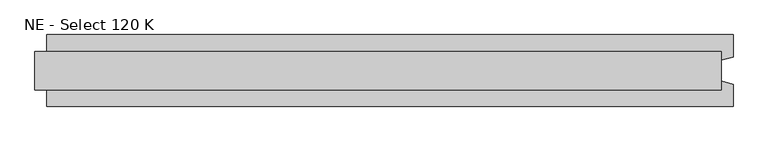
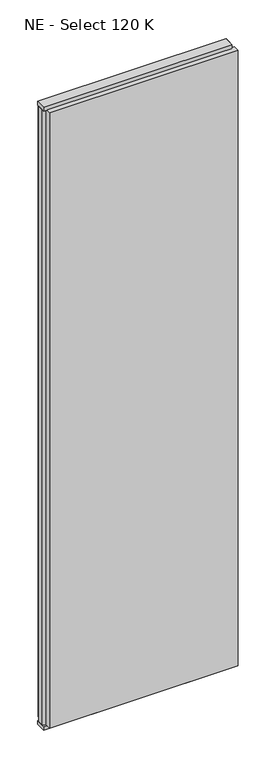
"""IFC4 building model written with IfcOpenShell, lengths in millimetres: plate geometry, NE - Select 120 K."""

from ifc_helpers import new_model, si_unit, frame, origin, origin_with_axes, place, context, project, spatial, polyline, outline, extrude, source, transform, mapped, element, save


def ne_select_120_k_acae949f(model_context):
    return source(origin(), model_context, "Body", "SweptSolid", [
        extrude(outline(polyline([(592.9166667, 60.0), (592.9166667, 22.9993165), (572.9166667, 17.6401049), (572.9166667, -17.6401049), (592.9166667, -22.9993165), (592.9166667, -60.0), (-552.9166667, -60.0), (-552.9166667, -22.9993165), (-572.9166667, -17.6401049), (-572.9166667, 17.6401049), (-552.9166667, 22.9993165), (-552.9166667, 60.0), (592.9166667, 60.0)])), frame((0.0, 0.0, 25.0), z_axis=(0.0, 0.0, 1.0), x_axis=(1.0, 0.0, 0.0)), (0.0, 0.0, 1.0), 3950.0),
        extrude(outline(polyline([(572.9166667, 32.0), (572.9166667, -32.0), (-572.9166667, -32.0), (-572.9166667, 32.0), (572.9166667, 32.0)])), origin_with_axes(), (0.0, 0.0, 1.0), 25.0),
        extrude(outline(polyline([(572.9166667, 32.0), (572.9166667, -32.0), (-572.9166667, -32.0), (-572.9166667, 32.0), (572.9166667, 32.0)])), frame((0.0, 0.0, 3975.0), z_axis=(0.0, 0.0, 1.0), x_axis=(1.0, 0.0, 0.0)), (0.0, 0.0, 1.0), 25.0),
    ])


if __name__ == "__main__":
    model = new_model("IFC4")
    model_context = context("Model", 3, world=origin())
    ifc_project = project(units=[si_unit("LENGTHUNIT", "METRE", prefix="MILLI")], contexts=[model_context])
    site = spatial("IfcSite", under=ifc_project)
    building = spatial("IfcBuilding", under=site)
    placement = place(None, origin())
    ne_select_120_k_shape = ne_select_120_k_acae949f(model_context)
    element("IfcPlate", 1, ObjectType="NE - Select 120 K", at=placement, inside=building, context=model_context, shape_type="MappedRepresentation", body=[
        mapped(ne_select_120_k_shape, transform((0.0, 0.0, 0.0), x_axis=(1.0, 0.0, 0.0), y_axis=(0.0, 1.0, 0.0), z_axis=(0.0, 0.0, 1.0))),
    ])
    save(model, "model.ifc")
